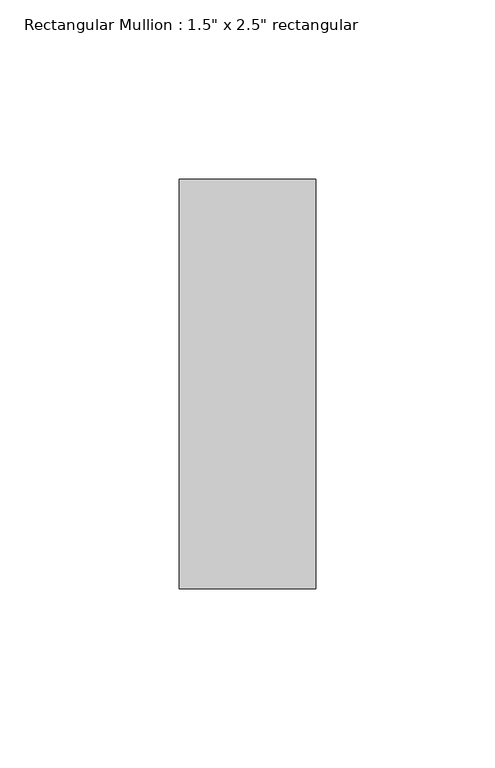
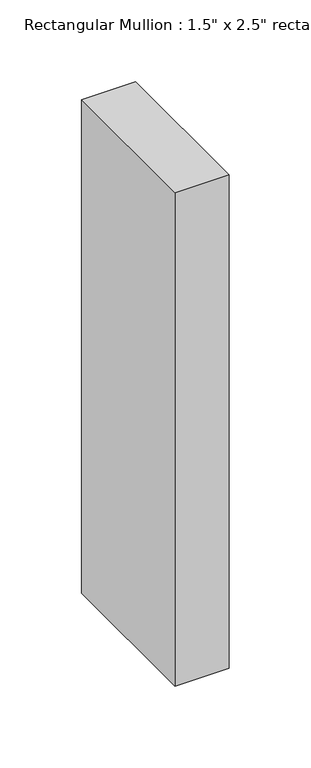
"""IFC4 building model written with IfcOpenShell, lengths in millimetres: member geometry."""

from ifc_helpers import new_model, si_unit, frame, origin, place, context, project, spatial, polyline, outline, extrude, source, transform, mapped, element, save


def member_7f611669(model_context):
    return source(origin(), model_context, "Body", "SweptSolid", [
        extrude(outline(polyline([(0.0, 57.15), (0.0, -57.15), (-38.1, -57.15), (-38.1, 57.15), (0.0, 57.15)])), frame((0.0, 0.0, -368.3), z_axis=(0.0, 0.0, 1.0), x_axis=(1.0, 0.0, 0.0)), (0.0, 0.0, 1.0), 368.3),
    ])


if __name__ == "__main__":
    model = new_model("IFC4")
    model_context = context("Model", 3, world=origin())
    ifc_project = project(units=[si_unit("LENGTHUNIT", "METRE", prefix="MILLI")], contexts=[model_context])
    site = spatial("IfcSite", under=ifc_project)
    building = spatial("IfcBuilding", under=site)
    placement = place(None, origin())
    member_shape = member_7f611669(model_context)
    element("IfcMember", 1, ObjectType="Rectangular Mullion : 1.5\" x 2.5\" rectangular", at=placement, inside=building, context=model_context, shape_type="MappedRepresentation", body=[
        mapped(member_shape, transform((0.0, 0.0, 0.0), x_axis=(1.0, 0.0, 0.0), y_axis=(0.0, 1.0, 0.0), z_axis=(0.0, 0.0, 1.0))),
    ])
    save(model, "model.ifc")
